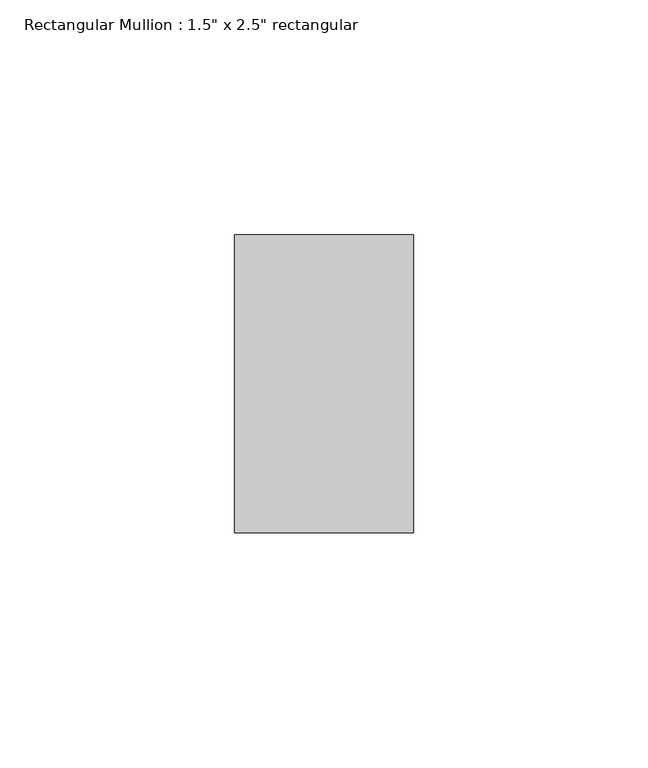
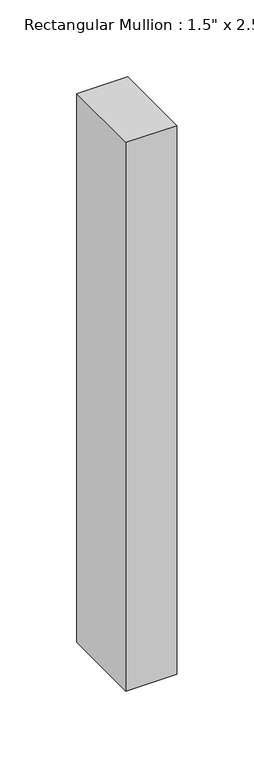
"""IFC4 building model written with IfcOpenShell, lengths in millimetres: member geometry."""

from ifc_helpers import new_model, si_unit, frame, origin, place, context, project, spatial, polyline, outline, extrude, source, transform, mapped, element, save


def member_1a71e777(model_context):
    return source(origin(), model_context, "Body", "SweptSolid", [
        extrude(outline(polyline([(0.0, 31.75), (0.0, -31.75), (-38.1, -31.75), (-38.1, 31.75), (0.0, 31.75)])), frame((0.0, 0.0, -434.975), z_axis=(0.0, 0.0, 1.0), x_axis=(1.0, 0.0, 0.0)), (0.0, 0.0, 1.0), 434.975),
    ])


if __name__ == "__main__":
    model = new_model("IFC4")
    model_context = context("Model", 3, world=origin())
    ifc_project = project(units=[si_unit("LENGTHUNIT", "METRE", prefix="MILLI")], contexts=[model_context])
    site = spatial("IfcSite", under=ifc_project)
    building = spatial("IfcBuilding", under=site)
    placement = place(None, origin())
    member_shape = member_1a71e777(model_context)
    element("IfcMember", 1, ObjectType="Rectangular Mullion : 1.5\" x 2.5\" rectangular", at=placement, inside=building, context=model_context, shape_type="MappedRepresentation", body=[
        mapped(member_shape, transform((0.0, 0.0, 0.0), x_axis=(1.0, 0.0, 0.0), y_axis=(0.0, 1.0, 0.0), z_axis=(0.0, 0.0, 1.0))),
    ])
    save(model, "model.ifc")
